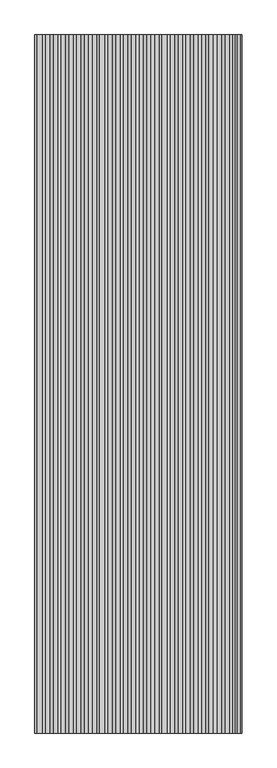
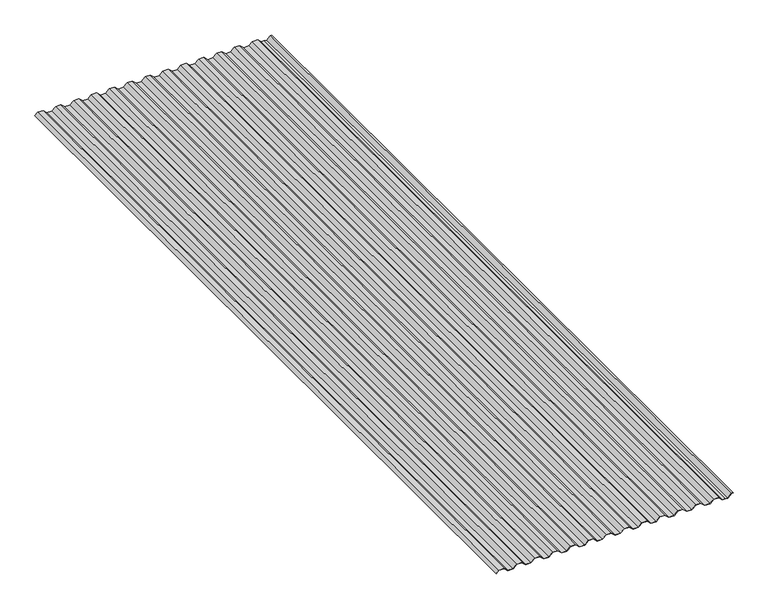
"""IFC4 building model written with IfcOpenShell, lengths in millimetres: proxy geometry."""

from ifc_helpers import new_model, si_unit, frame, origin, place, context, project, spatial, polyline, outline, extrude, source, transform, mapped, element, save


def generic_models_69d88978(model_context):
    return source(origin(), model_context, "Body", "SweptSolid", [
        extrude(outline(polyline([(3.9863774, -21.0814546), (3.3921452, -20.5273241), (13.4698932, -9.7202625), (13.4698932, 9.7202625), (0.0, 24.1649545), (0.0, 44.0731943), (13.4698932, 58.5178863), (13.4698932, 77.9584113), (0.0, 92.4031033), (0.0, 112.3113432), (13.4698932, 126.7560352), (13.4698932, 146.1965602), (0.0, 160.6412522), (0.0, 180.549492), (13.4698932, 194.994184), (13.4698932, 214.434709), (0.0, 228.879401), (0.0, 248.7876408), (13.4698932, 263.2323328), (13.4698932, 282.6728578), (0.0, 297.1175498), (0.0, 317.0257897), (13.4698932, 331.4704817), (13.4698932, 350.9110067), (0.0, 365.3556987), (0.0, 385.2639385), (13.4698932, 399.7086305), (13.4698932, 419.1491555), (0.0, 433.5938475), (0.0, 453.5020873), (13.4698932, 467.9467793), (13.4698932, 487.3873043), (0.0, 501.8319963), (0.0, 521.7402362), (13.4698932, 536.1849281), (13.4698932, 555.6254532), (0.0, 570.0701451), (0.0, 589.978385), (13.4698932, 604.423077), (13.4698932, 623.863602), (0.0, 638.308294), (0.0, 658.2165338), (13.4698932, 672.6612258), (13.4698932, 692.1017508), (0.0, 706.5464428), (0.0, 726.4546827), (13.4698932, 740.8993746), (13.4698932, 760.3398997), (0.0, 774.7845916), (0.0, 795.9214283), (12.6319922, 809.4675815), (12.6319922, 828.2479905), (-0.8725042, 842.7297899), (-0.3346278, 852.9340918), (-0.8721978, 863.2242595), (12.6319922, 877.7057303), (12.6319922, 883.7334088), (13.4445023, 883.7334088), (13.4445023, 877.3856741), (-0.0429587, 862.9221429), (0.4812646, 852.9768604), (-0.0429587, 843.0315779), (13.4445023, 828.5680467), (13.4445023, 809.1475252), (0.8125101, 795.601372), (0.8125101, 775.1046479), (14.2824032, 760.6599559), (14.2824032, 740.5793184), (0.8125101, 726.1346264), (0.8125101, 706.866499), (14.2824032, 692.421807), (14.2824032, 672.3411696), (0.8125101, 657.8964776), (0.8125101, 638.6283502), (14.2824032, 624.1836582), (14.2824032, 604.1030208), (0.8125101, 589.6583288), (0.8125101, 570.3902014), (14.2824032, 555.9455094), (14.2824032, 535.8648719), (0.8125101, 521.4201799), (0.8125101, 502.1520525), (14.2824032, 487.7073605), (14.2824032, 467.6267231), (0.8125101, 453.1820311), (0.8125101, 433.9139037), (14.2824032, 419.4692117), (14.2824032, 399.3885743), (0.8125101, 384.9438823), (0.8125101, 365.6757549), (14.2824032, 351.2310629), (14.2824032, 331.1504254), (0.8125101, 316.7057334), (0.8125101, 297.437606), (14.2824032, 282.9929141), (14.2824032, 262.9122766), (0.8125101, 248.4675846), (0.8125101, 229.1994572), (14.2824032, 214.7547652), (14.2824032, 194.6741278), (0.8125101, 180.2294358), (0.8125101, 160.9613084), (14.2824032, 146.5166164), (14.2824032, 126.4359789), (0.8125101, 111.9912869), (0.8125101, 92.7231595), (14.2824032, 78.2784676), (14.2824032, 58.1978301), (0.8125101, 43.7531381), (0.8125101, 24.4850107), (14.2824032, 10.0403187), (14.2824032, -10.0403187), (3.9863774, -21.0814546)])), frame((0.0, -1524.0, 0.0), z_axis=(0.0, 1.0, 0.0), x_axis=(0.0, 0.0, 1.0)), (0.0, 0.0, 1.0), 3048.0),
    ])


if __name__ == "__main__":
    model = new_model("IFC4")
    model_context = context("Model", 3, world=origin())
    ifc_project = project(units=[si_unit("LENGTHUNIT", "METRE", prefix="MILLI")], contexts=[model_context])
    site = spatial("IfcSite", under=ifc_project)
    building = spatial("IfcBuilding", under=site)
    placement = place(None, origin())
    generic_models_shape = generic_models_69d88978(model_context)
    element("IfcBuildingElementProxy", 1, Name="Generic Models", at=placement, inside=building, context=model_context, shape_type="MappedRepresentation", body=[
        mapped(generic_models_shape, transform((0.0, 0.0, 0.0), x_axis=(1.0, 0.0, 0.0), y_axis=(0.0, 1.0, 0.0), z_axis=(0.0, 0.0, 1.0))),
    ])
    save(model, "model.ifc")
